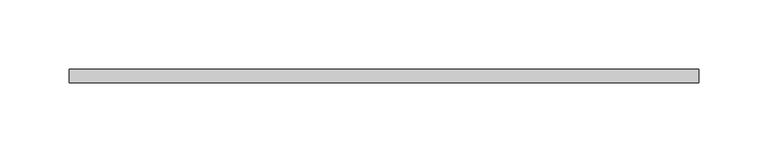
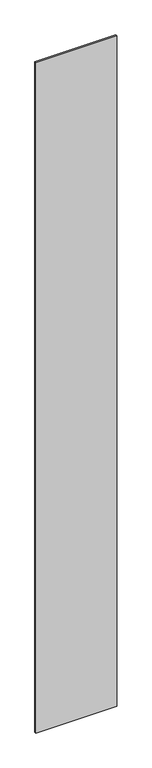
"""IFC4 building model written with IfcOpenShell, lengths in millimetres: plate geometry."""

from ifc_helpers import new_model, si_unit, origin, origin_with_axes, place, context, project, spatial, polyline, outline, extrude, source, transform, mapped, element, save


def plate_fff95e60(model_context):
    return source(origin(), model_context, "Body", "SweptSolid", [
        extrude(outline(polyline([(228.254713, -5.0), (-228.254713, -5.0), (-228.254713, 5.0), (228.254713, 5.0), (228.254713, -5.0)])), origin_with_axes(), (0.0, 0.0, 1.0), 4000.0),
    ])


if __name__ == "__main__":
    model = new_model("IFC4")
    model_context = context("Model", 3, world=origin())
    ifc_project = project(units=[si_unit("LENGTHUNIT", "METRE", prefix="MILLI")], contexts=[model_context])
    site = spatial("IfcSite", under=ifc_project)
    building = spatial("IfcBuilding", under=site)
    placement = place(None, origin())
    plate_shape = plate_fff95e60(model_context)
    element("IfcPlate", 1, at=placement, inside=building, context=model_context, shape_type="MappedRepresentation", body=[
        mapped(plate_shape, transform((0.0, 0.0, 0.0), x_axis=(1.0, 0.0, 0.0), y_axis=(0.0, 1.0, 0.0), z_axis=(0.0, 0.0, 1.0))),
    ])
    save(model, "model.ifc")
